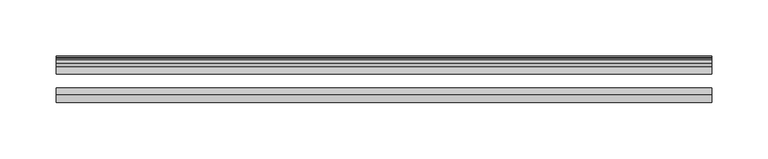
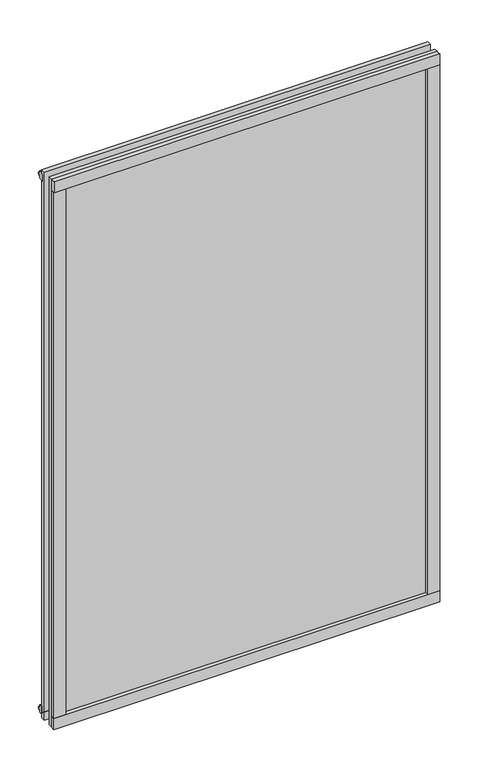
"""IFC4 building model written with IfcOpenShell, lengths in millimetres: plate geometry."""

from ifc_helpers import new_model, si_unit, point, frame, frame_2d, origin, origin_with_axes, place, context, project, spatial, polyline, circle_curve, trimmed, segment, composite_curve, outline, extrude, source, transform, mapped, element, save


def plate_01303ee7(model_context):
    return source(origin(), model_context, "Body", "SweptSolid", [
        extrude(outline(polyline([(290.5125, -44.4062658), (290.5125, -50.7678158), (-290.5125, -50.7678158), (-290.5125, -44.4062658), (290.5125, -44.4062658)])), frame((0.0, 0.0, -17.4370998), z_axis=(0.0, 0.0, 1.0), x_axis=(1.0, 0.0, 0.0)), (0.0, 0.0, 1.0), 17.4752),
        extrude(outline(polyline([(-16.311566, -12.4459992), (-19.5373643, -9.7597211), (-19.5373643, 1.1616223), (-13.365166, -0.5079992), (-13.365166, -5.7149992), (-10.9849691, -6.0959992), (-11.4449023, -4.6804701), (-10.6436881, -4.6804701), (-9.936166, -6.8579992), (-10.6436881, -9.0355282), (-11.4449023, -9.0355282), (-10.9849691, -7.6199992), (-13.365166, -8.0009992), (-13.365166, -12.4459992), (-16.311566, -12.4459992)])), frame((-290.5125, 0.0, 0.0), z_axis=(1.0, 0.0, 0.0), x_axis=(0.0, 1.0, 0.0)), (0.0, 0.0, 1.0), 581.025),
        extrude(outline(polyline([(-16.4107848, 850.6459996), (-13.4643848, 850.6459996), (-13.4643848, 846.2009996), (-11.0841878, 845.8199996), (-11.5441211, 847.2355287), (-10.7429069, 847.2355287), (-10.0353848, 845.0579996), (-10.7429069, 842.8804706), (-11.5441211, 842.8804706), (-11.0841878, 844.2959996), (-13.4643848, 843.9149996), (-13.4643848, 838.7079996), (-19.636583, 837.0383781), (-19.636583, 847.9597216), (-16.4107848, 850.6459996)])), frame((-290.5125, 0.0, 0.0), z_axis=(1.0, 0.0, 0.0), x_axis=(0.0, 1.0, 0.0)), (0.0, 0.0, 1.0), 581.025),
        extrude(outline(composite_curve([segment(trimmed(circle_curve(frame_2d((-47.7123125, 867.9741537)), 12.7144578), [point((-50.8873125, 855.6625003))], [point((-44.5373125, 855.6625003))], True, "CARTESIAN"), True, "CONTINUOUS"), segment(polyline([(-44.5373125, 855.6625003), (-44.5373125, 838.2000005), (-50.8873125, 838.2000005), (-50.8873125, 855.6625003)]), True, "CONTINUOUS")], self_intersect=False)), frame((-290.5125, 0.0, 0.0), z_axis=(1.0, 0.0, 0.0), x_axis=(0.0, 1.0, 0.0)), (0.0, 0.0, 1.0), 581.025),
        extrude(outline(polyline([(-271.8883777, -19.5373643), (-282.8097211, -19.5373643), (-285.4959992, -16.311566), (-285.4959992, -13.365166), (-281.0509992, -13.365166), (-280.6699992, -10.9849691), (-282.0855282, -11.4449023), (-282.0855282, -10.6436881), (-279.9079992, -9.936166), (-277.7304701, -10.6436881), (-277.7304701, -11.4449023), (-279.1459992, -10.9849691), (-278.7649992, -13.365166), (-273.5579992, -13.365166), (-271.8883777, -19.5373643)])), origin_with_axes(), (0.0, 0.0, 1.0), 838.2000005),
        extrude(outline(polyline([(-273.0373, -44.4293643), (-273.0373, -50.7793643), (-290.5125, -50.7793643), (-290.5125, -44.4293643), (-273.0373, -44.4293643)])), origin_with_axes(), (0.0, 0.0, 1.0), 838.2000005),
        extrude(outline(polyline([(271.9010779, -19.5373643), (273.5706994, -13.365166), (278.7776994, -13.365166), (279.1586994, -10.9849691), (277.7431703, -11.4449023), (277.7431703, -10.6436881), (279.9206994, -9.936166), (282.0982284, -10.6436881), (282.0982284, -11.4449023), (280.6826994, -10.9849691), (281.0636994, -13.365166), (285.5086994, -13.365166), (285.5086994, -16.311566), (282.8224213, -19.5373643), (271.9010779, -19.5373643)])), origin_with_axes(), (0.0, 0.0, 1.0), 838.2000005),
        extrude(outline(polyline([(290.5252002, -50.7793643), (273.0499998, -50.7793643), (273.0499998, -44.4293643), (290.5252002, -44.4293643), (290.5252002, -50.7793643)])), origin_with_axes(), (0.0, 0.0, 1.0), 838.2000005),
        extrude(outline(polyline([(290.5125, -19.5373643), (290.5125, -25.8250158), (-290.5125, -25.8250158), (-290.5125, -19.5373643), (290.5125, -19.5373643)])), frame((0.0, 0.0, -17.4497998), z_axis=(0.0, 0.0, 1.0), x_axis=(1.0, 0.0, 0.0)), (0.0, 0.0, 1.0), 873.1123003),
        extrude(outline(polyline([(-290.5125, -44.4293643), (-290.5125, -38.1186142), (290.5125, -38.1186142), (290.5125, -44.4293643), (-290.5125, -44.4293643)])), frame((0.0, 0.0, -17.4497998), z_axis=(0.0, 0.0, 1.0), x_axis=(1.0, 0.0, 0.0)), (0.0, 0.0, 1.0), 873.1123003),
    ])


if __name__ == "__main__":
    model = new_model("IFC4")
    model_context = context("Model", 3, world=origin())
    ifc_project = project(units=[si_unit("LENGTHUNIT", "METRE", prefix="MILLI")], contexts=[model_context])
    site = spatial("IfcSite", under=ifc_project)
    building = spatial("IfcBuilding", under=site)
    placement = place(None, origin())
    plate_shape = plate_01303ee7(model_context)
    element("IfcPlate", 1, at=placement, inside=building, context=model_context, shape_type="MappedRepresentation", body=[
        mapped(plate_shape, transform((0.0, 0.0, 0.0), x_axis=(1.0, 0.0, 0.0), y_axis=(0.0, 1.0, 0.0), z_axis=(0.0, 0.0, 1.0))),
    ])
    save(model, "model.ifc")
